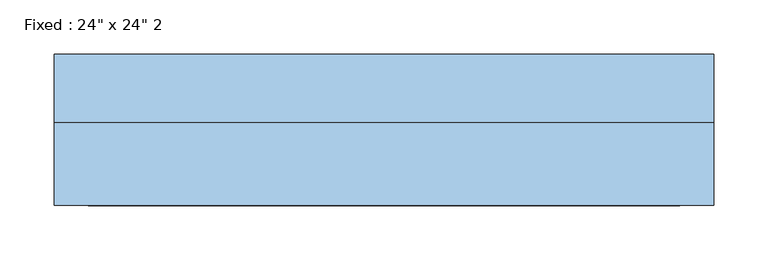
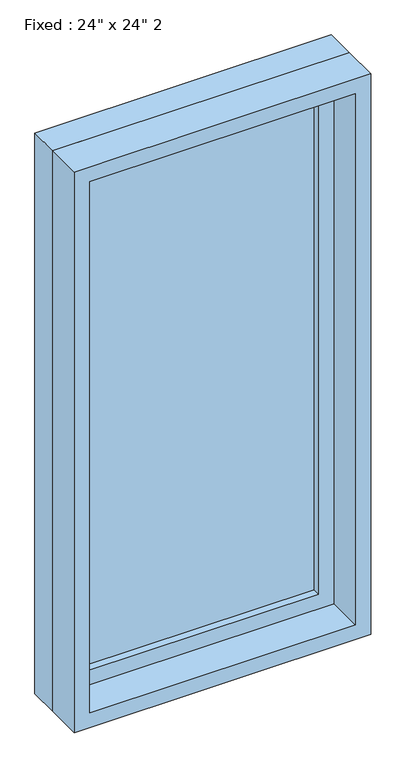
"""IFC4 building model written with IfcOpenShell, lengths in millimetres: window geometry."""

from ifc_helpers import new_model, si_unit, frame, origin, place, context, project, spatial, polyline, outline, extrude, source, transform, mapped, element, save


def window_52f91f77(model_context):
    return source(origin(), model_context, "Body", "SweptSolid", [
        extrude(outline(polyline([(203.2, 22.225), (-279.4, 22.225), (-279.4, 34.925), (203.2, 34.925), (203.2, 22.225)])), frame((0.0, 0.0, 977.9), z_axis=(0.0, 0.0, 1.0), x_axis=(1.0, 0.0, 0.0)), (0.0, 0.0, 1.0), 1092.2),
        extrude(outline(polyline([(2114.55, -323.85), (933.45, -323.85), (933.45, 247.65), (2114.55, 247.65), (2114.55, -323.85)]), holes=[polyline([(2070.1, -279.4), (2070.1, 203.2), (977.9, 203.2), (977.9, -279.4), (2070.1, -279.4)])]), frame((0.0, 6.35, 0.0), z_axis=(0.0, 1.0, 0.0), x_axis=(0.0, 0.0, 1.0)), (0.0, 0.0, 1.0), 44.45),
        extrude(outline(polyline([(2133.6, -342.9), (914.4, -342.9), (914.4, 266.7), (2133.6, 266.7), (2133.6, -342.9)]), holes=[polyline([(2101.85, -311.15), (2101.85, 234.95), (946.15, 234.95), (946.15, -311.15), (2101.85, -311.15)])]), frame((0.0, -69.85, 0.0), z_axis=(0.0, 1.0, 0.0), x_axis=(0.0, 0.0, 1.0)), (0.0, 0.0, 1.0), 76.2),
        extrude(outline(polyline([(2133.6, 266.7), (2133.6, -342.9), (914.4, -342.9), (914.4, 266.7), (2133.6, 266.7)]), holes=[polyline([(2114.55, 247.65), (933.45, 247.65), (933.45, -323.85), (2114.55, -323.85), (2114.55, 247.65)])]), frame((0.0, 6.35, 0.0), z_axis=(0.0, 1.0, 0.0), x_axis=(0.0, 0.0, 1.0)), (0.0, 0.0, 1.0), 63.5),
    ])


if __name__ == "__main__":
    model = new_model("IFC4")
    model_context = context("Model", 3, world=origin())
    ifc_project = project(units=[si_unit("LENGTHUNIT", "METRE", prefix="MILLI")], contexts=[model_context])
    site = spatial("IfcSite", under=ifc_project)
    building = spatial("IfcBuilding", under=site)
    placement = place(None, origin())
    window_shape = window_52f91f77(model_context)
    element("IfcWindow", 1, ObjectType="Fixed : 24\" x 24\" 2", at=placement, inside=building, context=model_context, shape_type="MappedRepresentation", body=[
        mapped(window_shape, transform((0.0, 0.0, 0.0), x_axis=(1.0, 0.0, 0.0), y_axis=(0.0, 1.0, 0.0), z_axis=(0.0, 0.0, 1.0))),
    ])
    save(model, "model.ifc")
